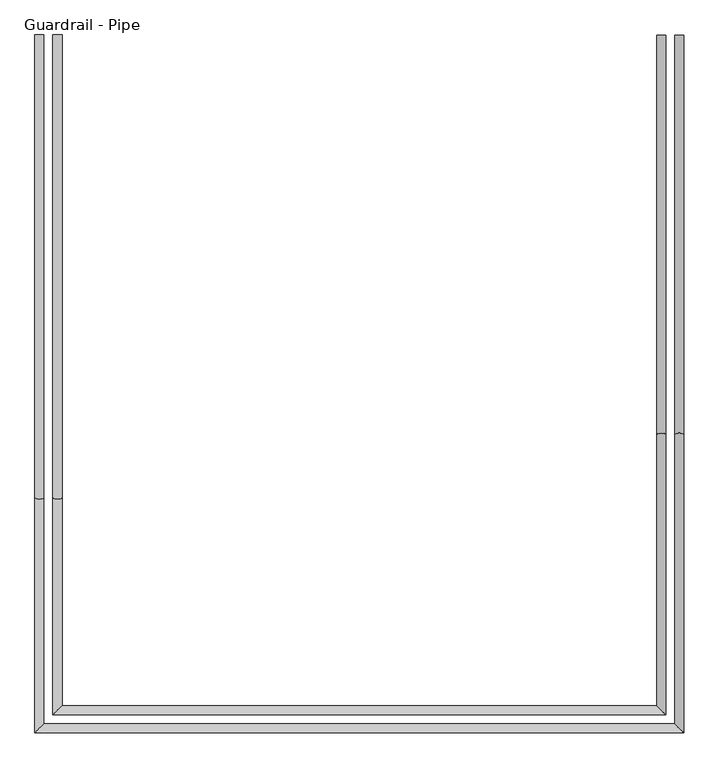
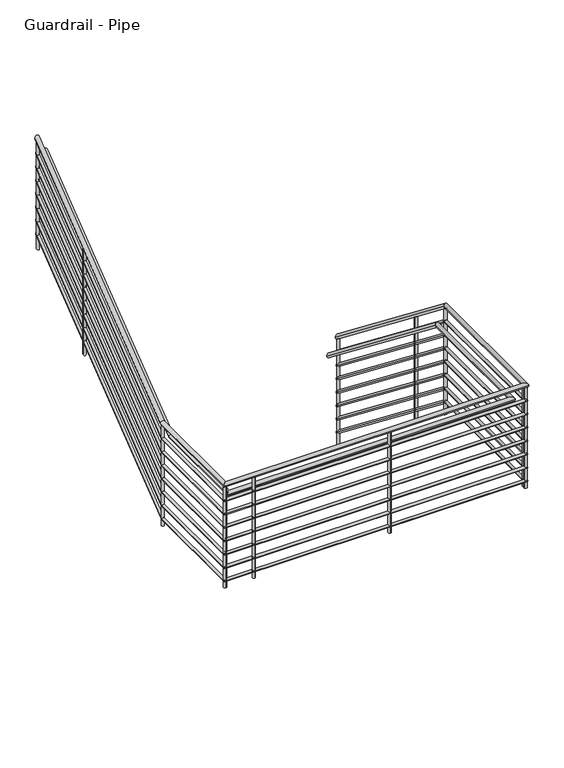
"""IFC4 building model written with IfcOpenShell, lengths in millimetres: railing geometry, Guardrail - Pipe."""

from ifc_helpers import new_model, si_unit, point, frame, frame_2d, origin, place, context, project, spatial, circle_curve, ellipse_curve, trimmed, segment, composite_curve, outline, extrude, source, transform, mapped, element, save
from ifc_brep_helpers import plane_surface, cylinder_surface, advanced_brep


def guardrail_pipe_dc70ddfe(model_context):
    return source(origin(), model_context, "Body", "SolidModel", [
        advanced_brep(
        [(4028.3118823, 247.1226057, 1260.3636861), (4066.4118823, 247.1226057, 1260.3636861), (4028.3118823, -1435.8231638, 2571.75), (4066.4118823, -1435.8231638, 2571.75), (4028.3118823, -2654.8273943, 2571.75), (4066.4118823, -2692.9273943, 2571.75), (1369.318901, -2654.8273943, 2571.75), (1331.218901, -2692.9273943, 2571.75), (1369.318901, -1702.1316247, 2571.75), (1331.218901, -1702.1316247, 2571.75), (1369.318901, 247.1226057, 4090.6494004), (1331.218901, 247.1226057, 4090.6494004)],
        [
            (0, 1, ellipse_curve(frame((4047.3618823, 247.1226057, 1260.3636861), z_axis=(0.0, 1.0, 0.0), x_axis=(0.0, 0.0, -1.0)), 24.1505996, 19.05)),
            (1, 0, ellipse_curve(frame((4047.3618823, 247.1226057, 1260.3636861), z_axis=(0.0, 1.0, 0.0), x_axis=(0.0, 0.0, -1.0)), 24.1505996, 19.05)),
            (0, 2),
            (2, 3, ellipse_curve(frame((4047.3618823, -1435.8231638, 2571.75), z_axis=(0.0, 0.9457273101107316, -0.3249613129446642), x_axis=(0.0, -0.32496131294466396, -0.9457273101107317)), 20.1432271, 19.05)),
            (3, 1),
            (3, 2, ellipse_curve(frame((4047.3618823, -1435.8231638, 2571.75), z_axis=(0.0, 0.9457273101107316, -0.3249613129446642), x_axis=(0.0, -0.32496131294466396, -0.9457273101107317)), 20.1432271, 19.05)),
            (2, 4),
            (4, 5, ellipse_curve(frame((4047.3618823, -2673.8773943, 2571.75), z_axis=(0.7071067811865492, 0.7071067811865458, 0.0), x_axis=(-0.7071067811865458, 0.7071067811865492, 0.0)), 26.9407684, 19.05)),
            (5, 3),
            (5, 4, ellipse_curve(frame((4047.3618823, -2673.8773943, 2571.75), z_axis=(0.7071067811865492, 0.7071067811865458, 0.0), x_axis=(-0.7071067811865458, 0.7071067811865492, 0.0)), 26.9407684, 19.05)),
            (4, 6),
            (6, 7, ellipse_curve(frame((1350.268901, -2673.8773943, 2571.75), z_axis=(0.7071067811865465, -0.7071067811865486, 0.0), x_axis=(0.7071067811865486, 0.7071067811865465, 0.0)), 26.9407684, 19.05)),
            (7, 5),
            (7, 6, ellipse_curve(frame((1350.268901, -2673.8773943, 2571.75), z_axis=(0.7071067811865465, -0.7071067811865486, 0.0), x_axis=(0.7071067811865486, 0.7071067811865465, 0.0)), 26.9407684, 19.05)),
            (6, 8),
            (8, 9, ellipse_curve(frame((1350.268901, -1702.1316247, 2571.75), z_axis=(0.0, -0.9457273101107316, -0.32496131294466407), x_axis=(0.0, -0.3249613129446642, 0.9457273101107316)), 20.1432271, 19.05)),
            (9, 7),
            (9, 8, ellipse_curve(frame((1350.268901, -1702.1316247, 2571.75), z_axis=(0.0, -0.9457273101107316, -0.32496131294466407), x_axis=(0.0, -0.3249613129446642, 0.9457273101107316)), 20.1432271, 19.05)),
            (10, 11, ellipse_curve(frame((1350.268901, 247.1226057, 4090.6494004), z_axis=(0.0, 1.0, 0.0), x_axis=(0.0, 0.0, -1.0)), 24.1505996, 19.05)),
            (11, 10, ellipse_curve(frame((1350.268901, 247.1226057, 4090.6494004), z_axis=(0.0, 1.0, 0.0), x_axis=(0.0, 0.0, -1.0)), 24.1505996, 19.05)),
            (8, 10),
            (11, 9),
        ],
        [
            plane_surface(frame((4047.3618823, 247.1226057, 1284.5142857), z_axis=(0.0, 1.0, 0.0), x_axis=(0.0, 0.0, -1.0))),
            cylinder_surface(frame((4047.3618823, 235.4135313, 1269.4876402), z_axis=(0.0, 0.7888002901785599, -0.6146495767624182), x_axis=(1.0, 0.0, 0.0)), 19.05),
            cylinder_surface(frame((4047.3618823, -1429.2773943, 2571.75), z_axis=(0.0, 1.0, 0.0), x_axis=(1.0, 0.0, 0.0)), 19.05),
            cylinder_surface(frame((4047.3618823, -2673.8773943, 2571.75), z_axis=(1.0, 0.0, 0.0), x_axis=(0.0, -1.0, 0.0)), 19.05),
            cylinder_surface(frame((1350.268901, -2673.8773943, 2571.75), z_axis=(0.0, -1.0, 0.0), x_axis=(-1.0, 0.0, 0.0)), 19.05),
            plane_surface(frame((1350.268901, 247.1226057, 4114.8), z_axis=(0.0, 1.0, 0.0), x_axis=(0.0, 0.0, 1.0))),
            cylinder_surface(frame((1350.268901, -1696.9683198, 2575.7733545), z_axis=(0.0, -0.78880029017856, -0.6146495767624179), x_axis=(-1.0, 0.0, 0.0)), 19.05),
        ],
        [
            (0, [[1, 2]]),
            (1, [[-1, 3, 4, 5]]),
            (1, [[-2, -5, 6, -3]]),
            (2, [[-4, 7, 8, 9]]),
            (2, [[-6, -9, 10, -7]]),
            (3, [[-8, 11, 12, 13]]),
            (3, [[-10, -13, 14, -11]]),
            (4, [[-12, 15, 16, 17]]),
            (4, [[-14, -17, 18, -15]]),
            (5, [[19, 20]]),
            (6, [[-16, 21, -20, 22]]),
            (6, [[-18, -22, -19, -21]]),
        ],
    ),
        advanced_brep(
        [(4034.6618823, 247.1226057, 1116.013886), (4060.0618823, 247.1226057, 1116.013886), (4034.6618823, -1433.6412406, 2425.7), (4060.0618823, -1433.6412406, 2425.7), (4034.6618823, -2661.1773943, 2425.7), (4060.0618823, -2686.5773943, 2425.7), (1362.968901, -2661.1773943, 2425.7), (1337.568901, -2686.5773943, 2425.7), (1362.968901, -1704.3135479, 2425.7), (1337.568901, -1704.3135479, 2425.7), (1362.968901, 247.1226057, 3946.2996002), (1337.568901, 247.1226057, 3946.2996002)],
        [
            (0, 1, ellipse_curve(frame((4047.3618823, 247.1226057, 1116.013886), z_axis=(0.0, 1.0, 0.0), x_axis=(0.0, 0.0, -1.0)), 16.1003998, 12.7)),
            (1, 0, ellipse_curve(frame((4047.3618823, 247.1226057, 1116.013886), z_axis=(0.0, 1.0, 0.0), x_axis=(0.0, 0.0, -1.0)), 16.1003998, 12.7)),
            (0, 2),
            (2, 3, ellipse_curve(frame((4047.3618823, -1433.6412406, 2425.7), z_axis=(0.0, 0.9457273101107316, -0.32496131294466424), x_axis=(0.0, -0.32496131294466407, -0.9457273101107315)), 13.4288181, 12.7)),
            (3, 1),
            (3, 2, ellipse_curve(frame((4047.3618823, -1433.6412406, 2425.7), z_axis=(0.0, 0.9457273101107316, -0.32496131294466424), x_axis=(0.0, -0.32496131294466407, -0.9457273101107315)), 13.4288181, 12.7)),
            (2, 4),
            (4, 5, ellipse_curve(frame((4047.3618823, -2673.8773943, 2425.7), z_axis=(0.7071067811865492, 0.7071067811865458, 0.0), x_axis=(-0.7071067811865458, 0.7071067811865492, 0.0)), 17.9605122, 12.7)),
            (5, 3),
            (5, 4, ellipse_curve(frame((4047.3618823, -2673.8773943, 2425.7), z_axis=(0.7071067811865492, 0.7071067811865458, 0.0), x_axis=(-0.7071067811865458, 0.7071067811865492, 0.0)), 17.9605122, 12.7)),
            (4, 6),
            (6, 7, ellipse_curve(frame((1350.268901, -2673.8773943, 2425.7), z_axis=(0.7071067811865465, -0.7071067811865486, 0.0), x_axis=(0.7071067811865486, 0.7071067811865465, 0.0)), 17.9605122, 12.7)),
            (7, 5),
            (7, 6, ellipse_curve(frame((1350.268901, -2673.8773943, 2425.7), z_axis=(0.7071067811865465, -0.7071067811865486, 0.0), x_axis=(0.7071067811865486, 0.7071067811865465, 0.0)), 17.9605122, 12.7)),
            (6, 8),
            (8, 9, ellipse_curve(frame((1350.268901, -1704.3135479, 2425.7), z_axis=(0.0, -0.9457273101107315, -0.32496131294466435), x_axis=(0.0, -0.3249613129446647, 0.9457273101107314)), 13.4288181, 12.7)),
            (9, 7),
            (9, 8, ellipse_curve(frame((1350.268901, -1704.3135479, 2425.7), z_axis=(0.0, -0.9457273101107315, -0.32496131294466435), x_axis=(0.0, -0.3249613129446647, 0.9457273101107314)), 13.4288181, 12.7)),
            (10, 11, ellipse_curve(frame((1350.268901, 247.1226057, 3946.2996002), z_axis=(0.0, 1.0, 0.0), x_axis=(0.0, 0.0, -1.0)), 16.1003998, 12.7)),
            (11, 10, ellipse_curve(frame((1350.268901, 247.1226057, 3946.2996002), z_axis=(0.0, 1.0, 0.0), x_axis=(0.0, 0.0, -1.0)), 16.1003998, 12.7)),
            (8, 10),
            (11, 9),
        ],
        [
            plane_surface(frame((4047.3618823, 247.1226057, 1132.1142857), z_axis=(0.0, 1.0, 0.0), x_axis=(0.0, 0.0, -1.0))),
            cylinder_surface(frame((4047.3618823, 239.3165561, 1122.096522), z_axis=(0.0, 0.78880029017856, -0.614649576762418), x_axis=(1.0, 0.0, 0.0)), 12.7),
            cylinder_surface(frame((4047.3618823, -1429.2773943, 2425.7), z_axis=(0.0, 1.0, 0.0), x_axis=(1.0, 0.0, 0.0)), 12.7),
            cylinder_surface(frame((4047.3618823, -2673.8773943, 2425.7), z_axis=(1.0, 0.0, 0.0), x_axis=(0.0, -1.0, 0.0)), 12.7),
            cylinder_surface(frame((1350.268901, -2673.8773943, 2425.7), z_axis=(0.0, -1.0, 0.0), x_axis=(-1.0, 0.0, 0.0)), 12.7),
            plane_surface(frame((1350.268901, 247.1226057, 3962.4), z_axis=(0.0, 1.0, 0.0), x_axis=(0.0, 0.0, 1.0))),
            cylinder_surface(frame((1350.268901, -1700.8713446, 2428.3822363), z_axis=(0.0, -0.7888002901785598, -0.6146495767624183), x_axis=(-1.0, 0.0, 0.0)), 12.7),
        ],
        [
            (0, [[1, 2]]),
            (1, [[-1, 3, 4, 5]]),
            (1, [[-2, -5, 6, -3]]),
            (2, [[-4, 7, 8, 9]]),
            (2, [[-6, -9, 10, -7]]),
            (3, [[-8, 11, 12, 13]]),
            (3, [[-10, -13, 14, -11]]),
            (4, [[-12, 15, 16, 17]]),
            (4, [[-14, -17, 18, -15]]),
            (5, [[19, 20]]),
            (6, [[-16, 21, -20, 22]]),
            (6, [[-18, -22, -19, -21]]),
        ],
    ),
        advanced_brep(
        [(3952.1118823, 247.1226057, 1107.9636861), (3990.2118823, 247.1226057, 1107.9636861), (3952.1118823, -1435.8231638, 2419.35), (3990.2118823, -1435.8231638, 2419.35), (3952.1118823, -2578.6273943, 2419.35), (3990.2118823, -2616.7273943, 2419.35), (1445.518901, -2578.6273943, 2419.35), (1407.418901, -2616.7273943, 2419.35), (1445.518901, -1702.1316247, 2419.35), (1407.418901, -1702.1316247, 2419.35), (1445.518901, 247.1226057, 3938.2494004), (1407.418901, 247.1226057, 3938.2494004)],
        [
            (0, 1, ellipse_curve(frame((3971.1618823, 247.1226057, 1107.9636861), z_axis=(0.0, 1.0, 0.0), x_axis=(0.0, 0.0, -1.0)), 24.1505996, 19.05)),
            (1, 0, ellipse_curve(frame((3971.1618823, 247.1226057, 1107.9636861), z_axis=(0.0, 1.0, 0.0), x_axis=(0.0, 0.0, -1.0)), 24.1505996, 19.05)),
            (0, 2),
            (2, 3, ellipse_curve(frame((3971.1618823, -1435.8231638, 2419.35), z_axis=(0.0, 0.9457273101107316, -0.32496131294466424), x_axis=(0.0, -0.32496131294466407, -0.9457273101107315)), 20.1432271, 19.05)),
            (3, 1),
            (3, 2, ellipse_curve(frame((3971.1618823, -1435.8231638, 2419.35), z_axis=(0.0, 0.9457273101107316, -0.32496131294466424), x_axis=(0.0, -0.32496131294466407, -0.9457273101107315)), 20.1432271, 19.05)),
            (2, 4),
            (4, 5, ellipse_curve(frame((3971.1618823, -2597.6773943, 2419.35), z_axis=(0.7071067811865492, 0.7071067811865458, 0.0), x_axis=(-0.7071067811865458, 0.7071067811865492, 0.0)), 26.9407684, 19.05)),
            (5, 3),
            (5, 4, ellipse_curve(frame((3971.1618823, -2597.6773943, 2419.35), z_axis=(0.7071067811865492, 0.7071067811865458, 0.0), x_axis=(-0.7071067811865458, 0.7071067811865492, 0.0)), 26.9407684, 19.05)),
            (4, 6),
            (6, 7, ellipse_curve(frame((1426.468901, -2597.6773943, 2419.35), z_axis=(0.7071067811865465, -0.7071067811865486, 0.0), x_axis=(0.7071067811865486, 0.7071067811865465, 0.0)), 26.9407684, 19.05)),
            (7, 5),
            (7, 6, ellipse_curve(frame((1426.468901, -2597.6773943, 2419.35), z_axis=(0.7071067811865465, -0.7071067811865486, 0.0), x_axis=(0.7071067811865486, 0.7071067811865465, 0.0)), 26.9407684, 19.05)),
            (6, 8),
            (8, 9, ellipse_curve(frame((1426.468901, -1702.1316247, 2419.35), z_axis=(0.0, -0.9457273101107315, -0.32496131294466435), x_axis=(0.0, -0.3249613129446647, 0.9457273101107314)), 20.1432271, 19.05)),
            (9, 7),
            (9, 8, ellipse_curve(frame((1426.468901, -1702.1316247, 2419.35), z_axis=(0.0, -0.9457273101107315, -0.32496131294466435), x_axis=(0.0, -0.3249613129446647, 0.9457273101107314)), 20.1432271, 19.05)),
            (10, 11, ellipse_curve(frame((1426.468901, 247.1226057, 3938.2494004), z_axis=(0.0, 1.0, 0.0), x_axis=(0.0, 0.0, -1.0)), 24.1505996, 19.05)),
            (11, 10, ellipse_curve(frame((1426.468901, 247.1226057, 3938.2494004), z_axis=(0.0, 1.0, 0.0), x_axis=(0.0, 0.0, -1.0)), 24.1505996, 19.05)),
            (8, 10),
            (11, 9),
        ],
        [
            plane_surface(frame((3971.1618823, 247.1226057, 1132.1142857), z_axis=(0.0, 1.0, 0.0), x_axis=(0.0, 0.0, -1.0))),
            cylinder_surface(frame((3971.1618823, 235.4135313, 1117.0876402), z_axis=(0.0, 0.78880029017856, -0.614649576762418), x_axis=(1.0, 0.0, 0.0)), 19.05),
            cylinder_surface(frame((3971.1618823, -1429.2773943, 2419.35), z_axis=(0.0, 1.0, 0.0), x_axis=(1.0, 0.0, 0.0)), 19.05),
            cylinder_surface(frame((3971.1618823, -2597.6773943, 2419.35), z_axis=(1.0, 0.0, 0.0), x_axis=(0.0, -1.0, 0.0)), 19.05),
            cylinder_surface(frame((1426.468901, -2597.6773943, 2419.35), z_axis=(0.0, -1.0, 0.0), x_axis=(-1.0, 0.0, 0.0)), 19.05),
            plane_surface(frame((1426.468901, 247.1226057, 3962.4), z_axis=(0.0, 1.0, 0.0), x_axis=(0.0, 0.0, 1.0))),
            cylinder_surface(frame((1426.468901, -1696.9683198, 2423.3733545), z_axis=(0.0, -0.7888002901785598, -0.6146495767624183), x_axis=(-1.0, 0.0, 0.0)), 19.05),
        ],
        [
            (0, [[1, 2]]),
            (1, [[-1, 3, 4, 5]]),
            (1, [[-2, -5, 6, -3]]),
            (2, [[-4, 7, 8, 9]]),
            (2, [[-6, -9, 10, -7]]),
            (3, [[-8, 11, 12, 13]]),
            (3, [[-10, -13, 14, -11]]),
            (4, [[-12, 15, 16, 17]]),
            (4, [[-14, -17, 18, -15]]),
            (5, [[19, 20]]),
            (6, [[-16, 21, -20, 22]]),
            (6, [[-18, -22, -19, -21]]),
        ],
    ),
        advanced_brep(
        [(4034.6618823, 247.1226057, 989.013886), (4060.0618823, 247.1226057, 989.013886), (4034.6618823, -1433.6412406, 2298.7), (4060.0618823, -1433.6412406, 2298.7), (4034.6618823, -2661.1773943, 2298.7), (4060.0618823, -2686.5773943, 2298.7), (1362.968901, -2661.1773943, 2298.7), (1337.568901, -2686.5773943, 2298.7), (1362.968901, -1704.3135479, 2298.7), (1337.568901, -1704.3135479, 2298.7), (1362.968901, 247.1226057, 3819.2996002), (1337.568901, 247.1226057, 3819.2996002)],
        [
            (0, 1, ellipse_curve(frame((4047.3618823, 247.1226057, 989.013886), z_axis=(0.0, 1.0, 0.0), x_axis=(0.0, 0.0, -1.0)), 16.1003998, 12.7)),
            (1, 0, ellipse_curve(frame((4047.3618823, 247.1226057, 989.013886), z_axis=(0.0, 1.0, 0.0), x_axis=(0.0, 0.0, -1.0)), 16.1003998, 12.7)),
            (0, 2),
            (2, 3, ellipse_curve(frame((4047.3618823, -1433.6412406, 2298.7), z_axis=(0.0, 0.9457273101107316, -0.32496131294466424), x_axis=(0.0, -0.32496131294466407, -0.9457273101107315)), 13.4288181, 12.7)),
            (3, 1),
            (3, 2, ellipse_curve(frame((4047.3618823, -1433.6412406, 2298.7), z_axis=(0.0, 0.9457273101107316, -0.32496131294466424), x_axis=(0.0, -0.32496131294466407, -0.9457273101107315)), 13.4288181, 12.7)),
            (2, 4),
            (4, 5, ellipse_curve(frame((4047.3618823, -2673.8773943, 2298.7), z_axis=(0.7071067811865492, 0.7071067811865458, 0.0), x_axis=(-0.7071067811865458, 0.7071067811865492, 0.0)), 17.9605122, 12.7)),
            (5, 3),
            (5, 4, ellipse_curve(frame((4047.3618823, -2673.8773943, 2298.7), z_axis=(0.7071067811865492, 0.7071067811865458, 0.0), x_axis=(-0.7071067811865458, 0.7071067811865492, 0.0)), 17.9605122, 12.7)),
            (4, 6),
            (6, 7, ellipse_curve(frame((1350.268901, -2673.8773943, 2298.7), z_axis=(0.7071067811865465, -0.7071067811865486, 0.0), x_axis=(0.7071067811865486, 0.7071067811865465, 0.0)), 17.9605122, 12.7)),
            (7, 5),
            (7, 6, ellipse_curve(frame((1350.268901, -2673.8773943, 2298.7), z_axis=(0.7071067811865465, -0.7071067811865486, 0.0), x_axis=(0.7071067811865486, 0.7071067811865465, 0.0)), 17.9605122, 12.7)),
            (6, 8),
            (8, 9, ellipse_curve(frame((1350.268901, -1704.3135479, 2298.7), z_axis=(0.0, -0.9457273101107315, -0.3249613129446645), x_axis=(0.0, -0.3249613129446646, 0.9457273101107315)), 13.4288181, 12.7)),
            (9, 7),
            (9, 8, ellipse_curve(frame((1350.268901, -1704.3135479, 2298.7), z_axis=(0.0, -0.9457273101107315, -0.3249613129446645), x_axis=(0.0, -0.3249613129446646, 0.9457273101107315)), 13.4288181, 12.7)),
            (10, 11, ellipse_curve(frame((1350.268901, 247.1226057, 3819.2996002), z_axis=(0.0, 1.0, 0.0), x_axis=(0.0, 0.0, -1.0)), 16.1003998, 12.7)),
            (11, 10, ellipse_curve(frame((1350.268901, 247.1226057, 3819.2996002), z_axis=(0.0, 1.0, 0.0), x_axis=(0.0, 0.0, -1.0)), 16.1003998, 12.7)),
            (8, 10),
            (11, 9),
        ],
        [
            plane_surface(frame((4047.3618823, 247.1226057, 1005.1142857), z_axis=(0.0, 1.0, 0.0), x_axis=(0.0, 0.0, -1.0))),
            cylinder_surface(frame((4047.3618823, 239.3165561, 995.096522), z_axis=(0.0, 0.78880029017856, -0.614649576762418), x_axis=(1.0, 0.0, 0.0)), 12.7),
            cylinder_surface(frame((4047.3618823, -1429.2773943, 2298.7), z_axis=(0.0, 1.0, 0.0), x_axis=(1.0, 0.0, 0.0)), 12.7),
            cylinder_surface(frame((4047.3618823, -2673.8773943, 2298.7), z_axis=(1.0, 0.0, 0.0), x_axis=(0.0, -1.0, 0.0)), 12.7),
            cylinder_surface(frame((1350.268901, -2673.8773943, 2298.7), z_axis=(0.0, -1.0, 0.0), x_axis=(-1.0, 0.0, 0.0)), 12.7),
            plane_surface(frame((1350.268901, 247.1226057, 3835.4), z_axis=(0.0, 1.0, 0.0), x_axis=(0.0, 0.0, 1.0))),
            cylinder_surface(frame((1350.268901, -1700.8713446, 2301.3822363), z_axis=(0.0, -0.7888002901785597, -0.6146495767624184), x_axis=(-1.0, 0.0, 0.0)), 12.7),
        ],
        [
            (0, [[1, 2]]),
            (1, [[-1, 3, 4, 5]]),
            (1, [[-2, -5, 6, -3]]),
            (2, [[-4, 7, 8, 9]]),
            (2, [[-6, -9, 10, -7]]),
            (3, [[-8, 11, 12, 13]]),
            (3, [[-10, -13, 14, -11]]),
            (4, [[-12, 15, 16, 17]]),
            (4, [[-14, -17, 18, -15]]),
            (5, [[19, 20]]),
            (6, [[-16, 21, -20, 22]]),
            (6, [[-18, -22, -19, -21]]),
        ],
    ),
        advanced_brep(
        [(4034.6618823, 247.1226057, 862.013886), (4060.0618823, 247.1226057, 862.013886), (4034.6618823, -1433.6412406, 2171.7), (4060.0618823, -1433.6412406, 2171.7), (4034.6618823, -2661.1773943, 2171.7), (4060.0618823, -2686.5773943, 2171.7), (1362.968901, -2661.1773943, 2171.7), (1337.568901, -2686.5773943, 2171.7), (1362.968901, -1704.3135479, 2171.7), (1337.568901, -1704.3135479, 2171.7), (1362.968901, 247.1226057, 3692.2996002), (1337.568901, 247.1226057, 3692.2996002)],
        [
            (0, 1, ellipse_curve(frame((4047.3618823, 247.1226057, 862.013886), z_axis=(0.0, 1.0, 0.0), x_axis=(0.0, 0.0, -1.0)), 16.1003998, 12.7)),
            (1, 0, ellipse_curve(frame((4047.3618823, 247.1226057, 862.013886), z_axis=(0.0, 1.0, 0.0), x_axis=(0.0, 0.0, -1.0)), 16.1003998, 12.7)),
            (0, 2),
            (2, 3, ellipse_curve(frame((4047.3618823, -1433.6412406, 2171.7), z_axis=(0.0, 0.9457273101107316, -0.3249613129446642), x_axis=(0.0, -0.32496131294466396, -0.9457273101107317)), 13.4288181, 12.7)),
            (3, 1),
            (3, 2, ellipse_curve(frame((4047.3618823, -1433.6412406, 2171.7), z_axis=(0.0, 0.9457273101107316, -0.3249613129446642), x_axis=(0.0, -0.32496131294466396, -0.9457273101107317)), 13.4288181, 12.7)),
            (2, 4),
            (4, 5, ellipse_curve(frame((4047.3618823, -2673.8773943, 2171.7), z_axis=(0.7071067811865492, 0.7071067811865458, 0.0), x_axis=(-0.7071067811865458, 0.7071067811865492, 0.0)), 17.9605122, 12.7)),
            (5, 3),
            (5, 4, ellipse_curve(frame((4047.3618823, -2673.8773943, 2171.7), z_axis=(0.7071067811865492, 0.7071067811865458, 0.0), x_axis=(-0.7071067811865458, 0.7071067811865492, 0.0)), 17.9605122, 12.7)),
            (4, 6),
            (6, 7, ellipse_curve(frame((1350.268901, -2673.8773943, 2171.7), z_axis=(0.7071067811865465, -0.7071067811865486, 0.0), x_axis=(0.7071067811865486, 0.7071067811865465, 0.0)), 17.9605122, 12.7)),
            (7, 5),
            (7, 6, ellipse_curve(frame((1350.268901, -2673.8773943, 2171.7), z_axis=(0.7071067811865465, -0.7071067811865486, 0.0), x_axis=(0.7071067811865486, 0.7071067811865465, 0.0)), 17.9605122, 12.7)),
            (6, 8),
            (8, 9, ellipse_curve(frame((1350.268901, -1704.3135479, 2171.7), z_axis=(0.0, -0.9457273101107316, -0.32496131294466407), x_axis=(0.0, -0.3249613129446642, 0.9457273101107316)), 13.4288181, 12.7)),
            (9, 7),
            (9, 8, ellipse_curve(frame((1350.268901, -1704.3135479, 2171.7), z_axis=(0.0, -0.9457273101107316, -0.32496131294466407), x_axis=(0.0, -0.3249613129446642, 0.9457273101107316)), 13.4288181, 12.7)),
            (10, 11, ellipse_curve(frame((1350.268901, 247.1226057, 3692.2996002), z_axis=(0.0, 1.0, 0.0), x_axis=(0.0, 0.0, -1.0)), 16.1003998, 12.7)),
            (11, 10, ellipse_curve(frame((1350.268901, 247.1226057, 3692.2996002), z_axis=(0.0, 1.0, 0.0), x_axis=(0.0, 0.0, -1.0)), 16.1003998, 12.7)),
            (8, 10),
            (11, 9),
        ],
        [
            plane_surface(frame((4047.3618823, 247.1226057, 878.1142857), z_axis=(0.0, 1.0, 0.0), x_axis=(0.0, 0.0, -1.0))),
            cylinder_surface(frame((4047.3618823, 239.3165561, 868.096522), z_axis=(0.0, 0.7888002901785599, -0.6146495767624182), x_axis=(1.0, 0.0, 0.0)), 12.7),
            cylinder_surface(frame((4047.3618823, -1429.2773943, 2171.7), z_axis=(0.0, 1.0, 0.0), x_axis=(1.0, 0.0, 0.0)), 12.7),
            cylinder_surface(frame((4047.3618823, -2673.8773943, 2171.7), z_axis=(1.0, 0.0, 0.0), x_axis=(0.0, -1.0, 0.0)), 12.7),
            cylinder_surface(frame((1350.268901, -2673.8773943, 2171.7), z_axis=(0.0, -1.0, 0.0), x_axis=(-1.0, 0.0, 0.0)), 12.7),
            plane_surface(frame((1350.268901, 247.1226057, 3708.4), z_axis=(0.0, 1.0, 0.0), x_axis=(0.0, 0.0, 1.0))),
            cylinder_surface(frame((1350.268901, -1700.8713446, 2174.3822363), z_axis=(0.0, -0.78880029017856, -0.6146495767624179), x_axis=(-1.0, 0.0, 0.0)), 12.7),
        ],
        [
            (0, [[1, 2]]),
            (1, [[-1, 3, 4, 5]]),
            (1, [[-2, -5, 6, -3]]),
            (2, [[-4, 7, 8, 9]]),
            (2, [[-6, -9, 10, -7]]),
            (3, [[-8, 11, 12, 13]]),
            (3, [[-10, -13, 14, -11]]),
            (4, [[-12, 15, 16, 17]]),
            (4, [[-14, -17, 18, -15]]),
            (5, [[19, 20]]),
            (6, [[-16, 21, -20, 22]]),
            (6, [[-18, -22, -19, -21]]),
        ],
    ),
        advanced_brep(
        [(4034.6618823, 247.1226057, 735.013886), (4060.0618823, 247.1226057, 735.013886), (4034.6618823, -1433.6412406, 2044.7), (4060.0618823, -1433.6412406, 2044.7), (4034.6618823, -2661.1773943, 2044.7), (4060.0618823, -2686.5773943, 2044.7), (1362.968901, -2661.1773943, 2044.7), (1337.568901, -2686.5773943, 2044.7), (1362.968901, -1704.3135479, 2044.7), (1337.568901, -1704.3135479, 2044.7), (1362.968901, 247.1226057, 3565.2996002), (1337.568901, 247.1226057, 3565.2996002)],
        [
            (0, 1, ellipse_curve(frame((4047.3618823, 247.1226057, 735.013886), z_axis=(0.0, 1.0, 0.0), x_axis=(0.0, 0.0, -1.0)), 16.1003998, 12.7)),
            (1, 0, ellipse_curve(frame((4047.3618823, 247.1226057, 735.013886), z_axis=(0.0, 1.0, 0.0), x_axis=(0.0, 0.0, -1.0)), 16.1003998, 12.7)),
            (0, 2),
            (2, 3, ellipse_curve(frame((4047.3618823, -1433.6412406, 2044.7), z_axis=(0.0, 0.9457273101107316, -0.32496131294466424), x_axis=(0.0, -0.32496131294466407, -0.9457273101107315)), 13.4288181, 12.7)),
            (3, 1),
            (3, 2, ellipse_curve(frame((4047.3618823, -1433.6412406, 2044.7), z_axis=(0.0, 0.9457273101107316, -0.32496131294466424), x_axis=(0.0, -0.32496131294466407, -0.9457273101107315)), 13.4288181, 12.7)),
            (2, 4),
            (4, 5, ellipse_curve(frame((4047.3618823, -2673.8773943, 2044.7), z_axis=(0.7071067811865492, 0.7071067811865458, 0.0), x_axis=(-0.7071067811865458, 0.7071067811865492, 0.0)), 17.9605122, 12.7)),
            (5, 3),
            (5, 4, ellipse_curve(frame((4047.3618823, -2673.8773943, 2044.7), z_axis=(0.7071067811865492, 0.7071067811865458, 0.0), x_axis=(-0.7071067811865458, 0.7071067811865492, 0.0)), 17.9605122, 12.7)),
            (4, 6),
            (6, 7, ellipse_curve(frame((1350.268901, -2673.8773943, 2044.7), z_axis=(0.7071067811865465, -0.7071067811865486, 0.0), x_axis=(0.7071067811865486, 0.7071067811865465, 0.0)), 17.9605122, 12.7)),
            (7, 5),
            (7, 6, ellipse_curve(frame((1350.268901, -2673.8773943, 2044.7), z_axis=(0.7071067811865465, -0.7071067811865486, 0.0), x_axis=(0.7071067811865486, 0.7071067811865465, 0.0)), 17.9605122, 12.7)),
            (6, 8),
            (8, 9, ellipse_curve(frame((1350.268901, -1704.3135479, 2044.7), z_axis=(0.0, -0.9457273101107315, -0.32496131294466435), x_axis=(0.0, -0.3249613129446647, 0.9457273101107314)), 13.4288181, 12.7)),
            (9, 7),
            (9, 8, ellipse_curve(frame((1350.268901, -1704.3135479, 2044.7), z_axis=(0.0, -0.9457273101107315, -0.32496131294466435), x_axis=(0.0, -0.3249613129446647, 0.9457273101107314)), 13.4288181, 12.7)),
            (10, 11, ellipse_curve(frame((1350.268901, 247.1226057, 3565.2996002), z_axis=(0.0, 1.0, 0.0), x_axis=(0.0, 0.0, -1.0)), 16.1003998, 12.7)),
            (11, 10, ellipse_curve(frame((1350.268901, 247.1226057, 3565.2996002), z_axis=(0.0, 1.0, 0.0), x_axis=(0.0, 0.0, -1.0)), 16.1003998, 12.7)),
            (8, 10),
            (11, 9),
        ],
        [
            plane_surface(frame((4047.3618823, 247.1226057, 751.1142857), z_axis=(0.0, 1.0, 0.0), x_axis=(0.0, 0.0, -1.0))),
            cylinder_surface(frame((4047.3618823, 239.3165561, 741.096522), z_axis=(0.0, 0.78880029017856, -0.614649576762418), x_axis=(1.0, 0.0, 0.0)), 12.7),
            cylinder_surface(frame((4047.3618823, -1429.2773943, 2044.7), z_axis=(0.0, 1.0, 0.0), x_axis=(1.0, 0.0, 0.0)), 12.7),
            cylinder_surface(frame((4047.3618823, -2673.8773943, 2044.7), z_axis=(1.0, 0.0, 0.0), x_axis=(0.0, -1.0, 0.0)), 12.7),
            cylinder_surface(frame((1350.268901, -2673.8773943, 2044.7), z_axis=(0.0, -1.0, 0.0), x_axis=(-1.0, 0.0, 0.0)), 12.7),
            plane_surface(frame((1350.268901, 247.1226057, 3581.4), z_axis=(0.0, 1.0, 0.0), x_axis=(0.0, 0.0, 1.0))),
            cylinder_surface(frame((1350.268901, -1700.8713446, 2047.3822363), z_axis=(0.0, -0.7888002901785598, -0.6146495767624183), x_axis=(-1.0, 0.0, 0.0)), 12.7),
        ],
        [
            (0, [[1, 2]]),
            (1, [[-1, 3, 4, 5]]),
            (1, [[-2, -5, 6, -3]]),
            (2, [[-4, 7, 8, 9]]),
            (2, [[-6, -9, 10, -7]]),
            (3, [[-8, 11, 12, 13]]),
            (3, [[-10, -13, 14, -11]]),
            (4, [[-12, 15, 16, 17]]),
            (4, [[-14, -17, 18, -15]]),
            (5, [[19, 20]]),
            (6, [[-16, 21, -20, 22]]),
            (6, [[-18, -22, -19, -21]]),
        ],
    ),
        advanced_brep(
        [(4034.6618823, 247.1226057, 608.013886), (4060.0618823, 247.1226057, 608.013886), (4034.6618823, -1433.6412406, 1917.7), (4060.0618823, -1433.6412406, 1917.7), (4034.6618823, -2661.1773943, 1917.7), (4060.0618823, -2686.5773943, 1917.7), (1362.968901, -2661.1773943, 1917.7), (1337.568901, -2686.5773943, 1917.7), (1362.968901, -1704.3135479, 1917.7), (1337.568901, -1704.3135479, 1917.7), (1362.968901, 247.1226057, 3438.2996002), (1337.568901, 247.1226057, 3438.2996002)],
        [
            (0, 1, ellipse_curve(frame((4047.3618823, 247.1226057, 608.013886), z_axis=(0.0, 1.0, 0.0), x_axis=(0.0, 0.0, -1.0)), 16.1003998, 12.7)),
            (1, 0, ellipse_curve(frame((4047.3618823, 247.1226057, 608.013886), z_axis=(0.0, 1.0, 0.0), x_axis=(0.0, 0.0, -1.0)), 16.1003998, 12.7)),
            (0, 2),
            (2, 3, ellipse_curve(frame((4047.3618823, -1433.6412406, 1917.7), z_axis=(0.0, 0.9457273101107316, -0.32496131294466424), x_axis=(0.0, -0.32496131294466407, -0.9457273101107315)), 13.4288181, 12.7)),
            (3, 1),
            (3, 2, ellipse_curve(frame((4047.3618823, -1433.6412406, 1917.7), z_axis=(0.0, 0.9457273101107316, -0.32496131294466424), x_axis=(0.0, -0.32496131294466407, -0.9457273101107315)), 13.4288181, 12.7)),
            (2, 4),
            (4, 5, ellipse_curve(frame((4047.3618823, -2673.8773943, 1917.7), z_axis=(0.7071067811865492, 0.7071067811865458, 0.0), x_axis=(-0.7071067811865458, 0.7071067811865492, 0.0)), 17.9605122, 12.7)),
            (5, 3),
            (5, 4, ellipse_curve(frame((4047.3618823, -2673.8773943, 1917.7), z_axis=(0.7071067811865492, 0.7071067811865458, 0.0), x_axis=(-0.7071067811865458, 0.7071067811865492, 0.0)), 17.9605122, 12.7)),
            (4, 6),
            (6, 7, ellipse_curve(frame((1350.268901, -2673.8773943, 1917.7), z_axis=(0.7071067811865465, -0.7071067811865486, 0.0), x_axis=(0.7071067811865486, 0.7071067811865465, 0.0)), 17.9605122, 12.7)),
            (7, 5),
            (7, 6, ellipse_curve(frame((1350.268901, -2673.8773943, 1917.7), z_axis=(0.7071067811865465, -0.7071067811865486, 0.0), x_axis=(0.7071067811865486, 0.7071067811865465, 0.0)), 17.9605122, 12.7)),
            (6, 8),
            (8, 9, ellipse_curve(frame((1350.268901, -1704.3135479, 1917.7), z_axis=(0.0, -0.9457273101107315, -0.3249613129446645), x_axis=(0.0, -0.3249613129446646, 0.9457273101107315)), 13.4288181, 12.7)),
            (9, 7),
            (9, 8, ellipse_curve(frame((1350.268901, -1704.3135479, 1917.7), z_axis=(0.0, -0.9457273101107315, -0.3249613129446645), x_axis=(0.0, -0.3249613129446646, 0.9457273101107315)), 13.4288181, 12.7)),
            (10, 11, ellipse_curve(frame((1350.268901, 247.1226057, 3438.2996002), z_axis=(0.0, 1.0, 0.0), x_axis=(0.0, 0.0, -1.0)), 16.1003998, 12.7)),
            (11, 10, ellipse_curve(frame((1350.268901, 247.1226057, 3438.2996002), z_axis=(0.0, 1.0, 0.0), x_axis=(0.0, 0.0, -1.0)), 16.1003998, 12.7)),
            (8, 10),
            (11, 9),
        ],
        [
            plane_surface(frame((4047.3618823, 247.1226057, 624.1142857), z_axis=(0.0, 1.0, 0.0), x_axis=(0.0, 0.0, -1.0))),
            cylinder_surface(frame((4047.3618823, 239.3165561, 614.096522), z_axis=(0.0, 0.78880029017856, -0.614649576762418), x_axis=(1.0, 0.0, 0.0)), 12.7),
            cylinder_surface(frame((4047.3618823, -1429.2773943, 1917.7), z_axis=(0.0, 1.0, 0.0), x_axis=(1.0, 0.0, 0.0)), 12.7),
            cylinder_surface(frame((4047.3618823, -2673.8773943, 1917.7), z_axis=(1.0, 0.0, 0.0), x_axis=(0.0, -1.0, 0.0)), 12.7),
            cylinder_surface(frame((1350.268901, -2673.8773943, 1917.7), z_axis=(0.0, -1.0, 0.0), x_axis=(-1.0, 0.0, 0.0)), 12.7),
            plane_surface(frame((1350.268901, 247.1226057, 3454.4), z_axis=(0.0, 1.0, 0.0), x_axis=(0.0, 0.0, 1.0))),
            cylinder_surface(frame((1350.268901, -1700.8713446, 1920.3822363), z_axis=(0.0, -0.7888002901785597, -0.6146495767624184), x_axis=(-1.0, 0.0, 0.0)), 12.7),
        ],
        [
            (0, [[1, 2]]),
            (1, [[-1, 3, 4, 5]]),
            (1, [[-2, -5, 6, -3]]),
            (2, [[-4, 7, 8, 9]]),
            (2, [[-6, -9, 10, -7]]),
            (3, [[-8, 11, 12, 13]]),
            (3, [[-10, -13, 14, -11]]),
            (4, [[-12, 15, 16, 17]]),
            (4, [[-14, -17, 18, -15]]),
            (5, [[19, 20]]),
            (6, [[-16, 21, -20, 22]]),
            (6, [[-18, -22, -19, -21]]),
        ],
    ),
        advanced_brep(
        [(4034.6618823, 247.1226057, 481.013886), (4060.0618823, 247.1226057, 481.013886), (4034.6618823, -1433.6412406, 1790.7), (4060.0618823, -1433.6412406, 1790.7), (4034.6618823, -2661.1773943, 1790.7), (4060.0618823, -2686.5773943, 1790.7), (1362.968901, -2661.1773943, 1790.7), (1337.568901, -2686.5773943, 1790.7), (1362.968901, -1704.3135479, 1790.7), (1337.568901, -1704.3135479, 1790.7), (1362.968901, 247.1226057, 3311.2996002), (1337.568901, 247.1226057, 3311.2996002)],
        [
            (0, 1, ellipse_curve(frame((4047.3618823, 247.1226057, 481.013886), z_axis=(0.0, 1.0, 0.0), x_axis=(0.0, 0.0, -1.0)), 16.1003998, 12.7)),
            (1, 0, ellipse_curve(frame((4047.3618823, 247.1226057, 481.013886), z_axis=(0.0, 1.0, 0.0), x_axis=(0.0, 0.0, -1.0)), 16.1003998, 12.7)),
            (0, 2),
            (2, 3, ellipse_curve(frame((4047.3618823, -1433.6412406, 1790.7), z_axis=(0.0, 0.9457273101107316, -0.3249613129446642), x_axis=(0.0, -0.32496131294466396, -0.9457273101107317)), 13.4288181, 12.7)),
            (3, 1),
            (3, 2, ellipse_curve(frame((4047.3618823, -1433.6412406, 1790.7), z_axis=(0.0, 0.9457273101107316, -0.3249613129446642), x_axis=(0.0, -0.32496131294466396, -0.9457273101107317)), 13.4288181, 12.7)),
            (2, 4),
            (4, 5, ellipse_curve(frame((4047.3618823, -2673.8773943, 1790.7), z_axis=(0.7071067811865492, 0.7071067811865458, 0.0), x_axis=(-0.7071067811865458, 0.7071067811865492, 0.0)), 17.9605122, 12.7)),
            (5, 3),
            (5, 4, ellipse_curve(frame((4047.3618823, -2673.8773943, 1790.7), z_axis=(0.7071067811865492, 0.7071067811865458, 0.0), x_axis=(-0.7071067811865458, 0.7071067811865492, 0.0)), 17.9605122, 12.7)),
            (4, 6),
            (6, 7, ellipse_curve(frame((1350.268901, -2673.8773943, 1790.7), z_axis=(0.7071067811865465, -0.7071067811865486, 0.0), x_axis=(0.7071067811865486, 0.7071067811865465, 0.0)), 17.9605122, 12.7)),
            (7, 5),
            (7, 6, ellipse_curve(frame((1350.268901, -2673.8773943, 1790.7), z_axis=(0.7071067811865465, -0.7071067811865486, 0.0), x_axis=(0.7071067811865486, 0.7071067811865465, 0.0)), 17.9605122, 12.7)),
            (6, 8),
            (8, 9, ellipse_curve(frame((1350.268901, -1704.3135479, 1790.7), z_axis=(0.0, -0.9457273101107316, -0.32496131294466407), x_axis=(0.0, -0.3249613129446642, 0.9457273101107316)), 13.4288181, 12.7)),
            (9, 7),
            (9, 8, ellipse_curve(frame((1350.268901, -1704.3135479, 1790.7), z_axis=(0.0, -0.9457273101107316, -0.32496131294466407), x_axis=(0.0, -0.3249613129446642, 0.9457273101107316)), 13.4288181, 12.7)),
            (10, 11, ellipse_curve(frame((1350.268901, 247.1226057, 3311.2996002), z_axis=(0.0, 1.0, 0.0), x_axis=(0.0, 0.0, -1.0)), 16.1003998, 12.7)),
            (11, 10, ellipse_curve(frame((1350.268901, 247.1226057, 3311.2996002), z_axis=(0.0, 1.0, 0.0), x_axis=(0.0, 0.0, -1.0)), 16.1003998, 12.7)),
            (8, 10),
            (11, 9),
        ],
        [
            plane_surface(frame((4047.3618823, 247.1226057, 497.1142857), z_axis=(0.0, 1.0, 0.0), x_axis=(0.0, 0.0, -1.0))),
            cylinder_surface(frame((4047.3618823, 239.3165561, 487.096522), z_axis=(0.0, 0.7888002901785599, -0.6146495767624182), x_axis=(1.0, 0.0, 0.0)), 12.7),
            cylinder_surface(frame((4047.3618823, -1429.2773943, 1790.7), z_axis=(0.0, 1.0, 0.0), x_axis=(1.0, 0.0, 0.0)), 12.7),
            cylinder_surface(frame((4047.3618823, -2673.8773943, 1790.7), z_axis=(1.0, 0.0, 0.0), x_axis=(0.0, -1.0, 0.0)), 12.7),
            cylinder_surface(frame((1350.268901, -2673.8773943, 1790.7), z_axis=(0.0, -1.0, 0.0), x_axis=(-1.0, 0.0, 0.0)), 12.7),
            plane_surface(frame((1350.268901, 247.1226057, 3327.4), z_axis=(0.0, 1.0, 0.0), x_axis=(0.0, 0.0, 1.0))),
            cylinder_surface(frame((1350.268901, -1700.8713446, 1793.3822363), z_axis=(0.0, -0.78880029017856, -0.6146495767624179), x_axis=(-1.0, 0.0, 0.0)), 12.7),
        ],
        [
            (0, [[1, 2]]),
            (1, [[-1, 3, 4, 5]]),
            (1, [[-2, -5, 6, -3]]),
            (2, [[-4, 7, 8, 9]]),
            (2, [[-6, -9, 10, -7]]),
            (3, [[-8, 11, 12, 13]]),
            (3, [[-10, -13, 14, -11]]),
            (4, [[-12, 15, 16, 17]]),
            (4, [[-14, -17, 18, -15]]),
            (5, [[19, 20]]),
            (6, [[-16, 21, -20, 22]]),
            (6, [[-18, -22, -19, -21]]),
        ],
    ),
        advanced_brep(
        [(4034.6618823, 247.1226057, 354.013886), (4060.0618823, 247.1226057, 354.013886), (4034.6618823, -1433.6412406, 1663.7), (4060.0618823, -1433.6412406, 1663.7), (4034.6618823, -2661.1773943, 1663.7), (4060.0618823, -2686.5773943, 1663.7), (1362.968901, -2661.1773943, 1663.7), (1337.568901, -2686.5773943, 1663.7), (1362.968901, -1704.3135479, 1663.7), (1337.568901, -1704.3135479, 1663.7), (1362.968901, 247.1226057, 3184.2996002), (1337.568901, 247.1226057, 3184.2996002)],
        [
            (0, 1, ellipse_curve(frame((4047.3618823, 247.1226057, 354.013886), z_axis=(0.0, 1.0, 0.0), x_axis=(0.0, 0.0, -1.0)), 16.1003998, 12.7)),
            (1, 0, ellipse_curve(frame((4047.3618823, 247.1226057, 354.013886), z_axis=(0.0, 1.0, 0.0), x_axis=(0.0, 0.0, -1.0)), 16.1003998, 12.7)),
            (0, 2),
            (2, 3, ellipse_curve(frame((4047.3618823, -1433.6412406, 1663.7), z_axis=(0.0, 0.9457273101107316, -0.32496131294466424), x_axis=(0.0, -0.32496131294466407, -0.9457273101107315)), 13.4288181, 12.7)),
            (3, 1),
            (3, 2, ellipse_curve(frame((4047.3618823, -1433.6412406, 1663.7), z_axis=(0.0, 0.9457273101107316, -0.32496131294466424), x_axis=(0.0, -0.32496131294466407, -0.9457273101107315)), 13.4288181, 12.7)),
            (2, 4),
            (4, 5, ellipse_curve(frame((4047.3618823, -2673.8773943, 1663.7), z_axis=(0.7071067811865492, 0.7071067811865458, 0.0), x_axis=(-0.7071067811865458, 0.7071067811865492, 0.0)), 17.9605122, 12.7)),
            (5, 3),
            (5, 4, ellipse_curve(frame((4047.3618823, -2673.8773943, 1663.7), z_axis=(0.7071067811865492, 0.7071067811865458, 0.0), x_axis=(-0.7071067811865458, 0.7071067811865492, 0.0)), 17.9605122, 12.7)),
            (4, 6),
            (6, 7, ellipse_curve(frame((1350.268901, -2673.8773943, 1663.7), z_axis=(0.7071067811865465, -0.7071067811865486, 0.0), x_axis=(0.7071067811865486, 0.7071067811865465, 0.0)), 17.9605122, 12.7)),
            (7, 5),
            (7, 6, ellipse_curve(frame((1350.268901, -2673.8773943, 1663.7), z_axis=(0.7071067811865465, -0.7071067811865486, 0.0), x_axis=(0.7071067811865486, 0.7071067811865465, 0.0)), 17.9605122, 12.7)),
            (6, 8),
            (8, 9, ellipse_curve(frame((1350.268901, -1704.3135479, 1663.7), z_axis=(0.0, -0.9457273101107315, -0.32496131294466435), x_axis=(0.0, -0.3249613129446647, 0.9457273101107314)), 13.4288181, 12.7)),
            (9, 7),
            (9, 8, ellipse_curve(frame((1350.268901, -1704.3135479, 1663.7), z_axis=(0.0, -0.9457273101107315, -0.32496131294466435), x_axis=(0.0, -0.3249613129446647, 0.9457273101107314)), 13.4288181, 12.7)),
            (10, 11, ellipse_curve(frame((1350.268901, 247.1226057, 3184.2996002), z_axis=(0.0, 1.0, 0.0), x_axis=(0.0, 0.0, -1.0)), 16.1003998, 12.7)),
            (11, 10, ellipse_curve(frame((1350.268901, 247.1226057, 3184.2996002), z_axis=(0.0, 1.0, 0.0), x_axis=(0.0, 0.0, -1.0)), 16.1003998, 12.7)),
            (8, 10),
            (11, 9),
        ],
        [
            plane_surface(frame((4047.3618823, 247.1226057, 370.1142857), z_axis=(0.0, 1.0, 0.0), x_axis=(0.0, 0.0, -1.0))),
            cylinder_surface(frame((4047.3618823, 239.3165561, 360.096522), z_axis=(0.0, 0.78880029017856, -0.614649576762418), x_axis=(1.0, 0.0, 0.0)), 12.7),
            cylinder_surface(frame((4047.3618823, -1429.2773943, 1663.7), z_axis=(0.0, 1.0, 0.0), x_axis=(1.0, 0.0, 0.0)), 12.7),
            cylinder_surface(frame((4047.3618823, -2673.8773943, 1663.7), z_axis=(1.0, 0.0, 0.0), x_axis=(0.0, -1.0, 0.0)), 12.7),
            cylinder_surface(frame((1350.268901, -2673.8773943, 1663.7), z_axis=(0.0, -1.0, 0.0), x_axis=(-1.0, 0.0, 0.0)), 12.7),
            plane_surface(frame((1350.268901, 247.1226057, 3200.4), z_axis=(0.0, 1.0, 0.0), x_axis=(0.0, 0.0, 1.0))),
            cylinder_surface(frame((1350.268901, -1700.8713446, 1666.3822363), z_axis=(0.0, -0.7888002901785598, -0.6146495767624183), x_axis=(-1.0, 0.0, 0.0)), 12.7),
        ],
        [
            (0, [[1, 2]]),
            (1, [[-1, 3, 4, 5]]),
            (1, [[-2, -5, 6, -3]]),
            (2, [[-4, 7, 8, 9]]),
            (2, [[-6, -9, 10, -7]]),
            (3, [[-8, 11, 12, 13]]),
            (3, [[-10, -13, 14, -11]]),
            (4, [[-12, 15, 16, 17]]),
            (4, [[-14, -17, 18, -15]]),
            (5, [[19, 20]]),
            (6, [[-16, 21, -20, 22]]),
            (6, [[-18, -22, -19, -21]]),
        ],
    ),
        advanced_brep(
        [(1337.568901, -489.4773943, 3492.5247748), (1362.968901, -489.4773943, 3492.5247748), (1362.968901, -489.4773943, 2486.6790239), (1337.568901, -489.4773943, 2486.6790239)],
        [
            (0, 1, ellipse_curve(frame((1350.268901, -489.4773943, 3492.5247748), z_axis=(0.0, 0.6146495767624159, -0.7888002901785617), x_axis=(0.0, 0.7888002901785617, 0.6146495767624158)), 16.1003998, 12.7)),
            (1, 2),
            (2, 3, ellipse_curve(frame((1350.268901, -489.4773943, 2486.6790239), z_axis=(0.0, -0.6146495767624184, 0.7888002901785598), x_axis=(0.0, 0.78880029017856, 0.6146495767624182)), 16.1003998, 12.7)),
            (3, 0),
            (3, 2, ellipse_curve(frame((1350.268901, -489.4773943, 2486.6790239), z_axis=(0.0, -0.6146495767624184, 0.7888002901785598), x_axis=(0.0, 0.78880029017856, 0.6146495767624182)), 16.1003998, 12.7)),
            (1, 0, ellipse_curve(frame((1350.268901, -489.4773943, 3492.5247748), z_axis=(0.0, 0.6146495767624159, -0.7888002901785617), x_axis=(0.0, 0.7888002901785617, 0.6146495767624158)), 16.1003998, 12.7)),
        ],
        [
            cylinder_surface(frame((1350.268901, -489.4773943, 2258.0790239), z_axis=(0.0, 0.0, 1.0), x_axis=(1.0, 0.0, 0.0)), 12.7),
            plane_surface(frame((1375.668901, -464.0773943, 3512.3169825), z_axis=(0.0, -0.6146495767624159, 0.7888002901785617), x_axis=(-1.0, 0.0, 0.0))),
            plane_surface(frame((1375.668901, -514.8773943, 2466.8868162), z_axis=(0.0, 0.6146495767624184, -0.7888002901785598), x_axis=(-1.0, 0.0, 0.0))),
        ],
        [
            (0, [[1, 2, 3, 4]]),
            (0, [[5, -2, 6, -4]]),
            (1, [[-6, -1]]),
            (2, [[-5, -3]]),
        ],
    ),
        extrude(outline(composite_curve([segment(trimmed(circle_curve(frame_2d((1608.9618823, -2673.8773943)), 12.7), [point((1608.9618823, -2661.1773943))], [point((1608.9618823, -2686.5773943))], False, "CARTESIAN"), True, "CONTINUOUS"), segment(trimmed(circle_curve(frame_2d((1608.9618823, -2673.8773943)), 12.7), [point((1608.9618823, -2686.5773943))], [point((1608.9618823, -2661.1773943))], False, "CARTESIAN"), True, "CONTINUOUS")], self_intersect=False)), frame((0.0, 0.0, 1600.2), z_axis=(0.0, 0.0, 1.0), x_axis=(1.0, 0.0, 0.0)), (0.0, 0.0, 1.0), 952.5),
        extrude(outline(composite_curve([segment(trimmed(circle_curve(frame_2d((2828.1618823, -2673.8773943)), 12.7), [point((2828.1618823, -2661.1773943))], [point((2828.1618823, -2686.5773943))], False, "CARTESIAN"), True, "CONTINUOUS"), segment(trimmed(circle_curve(frame_2d((2828.1618823, -2673.8773943)), 12.7), [point((2828.1618823, -2686.5773943))], [point((2828.1618823, -2661.1773943))], False, "CARTESIAN"), True, "CONTINUOUS")], self_intersect=False)), frame((0.0, 0.0, 1600.2), z_axis=(0.0, 0.0, 1.0), x_axis=(1.0, 0.0, 0.0)), (0.0, 0.0, 1.0), 952.5),
        extrude(outline(composite_curve([segment(trimmed(circle_curve(frame_2d((4047.3618823, -2648.4773943)), 12.7), [point((4034.6618823, -2648.4773943))], [point((4060.0618823, -2648.4773943))], False, "CARTESIAN"), True, "CONTINUOUS"), segment(trimmed(circle_curve(frame_2d((4047.3618823, -2648.4773943)), 12.7), [point((4060.0618823, -2648.4773943))], [point((4034.6618823, -2648.4773943))], False, "CARTESIAN"), True, "CONTINUOUS")], self_intersect=False)), frame((0.0, 0.0, 1600.2), z_axis=(0.0, 0.0, 1.0), x_axis=(1.0, 0.0, 0.0)), (0.0, 0.0, 1.0), 952.5),
        advanced_brep(
        [(4060.0618823, -972.0773943, 2186.2390605), (4034.6618823, -972.0773943, 2186.2390605), (4034.6618823, -972.0773943, 1180.3933097), (4060.0618823, -972.0773943, 1180.3933097)],
        [
            (0, 1, ellipse_curve(frame((4047.3618823, -972.0773943, 2186.2390605), z_axis=(0.0, -0.6146495767624159, -0.7888002901785617), x_axis=(0.0, -0.7888002901785617, 0.6146495767624158)), 16.1003998, 12.7)),
            (1, 2),
            (2, 3, ellipse_curve(frame((4047.3618823, -972.0773943, 1180.3933097), z_axis=(0.0, 0.6146495767624184, 0.7888002901785598), x_axis=(0.0, -0.78880029017856, 0.6146495767624182)), 16.1003998, 12.7)),
            (3, 0),
            (3, 2, ellipse_curve(frame((4047.3618823, -972.0773943, 1180.3933097), z_axis=(0.0, 0.6146495767624184, 0.7888002901785598), x_axis=(0.0, -0.78880029017856, 0.6146495767624182)), 16.1003998, 12.7)),
            (1, 0, ellipse_curve(frame((4047.3618823, -972.0773943, 2186.2390605), z_axis=(0.0, -0.6146495767624159, -0.7888002901785617), x_axis=(0.0, -0.7888002901785617, 0.6146495767624158)), 16.1003998, 12.7)),
        ],
        [
            cylinder_surface(frame((4047.3618823, -972.0773943, 951.7933097), z_axis=(0.0, 0.0, 1.0), x_axis=(-1.0, 0.0, 0.0)), 12.7),
            plane_surface(frame((4021.9618823, -997.4773943, 2206.0312683), z_axis=(0.0, 0.6146495767624159, 0.7888002901785617), x_axis=(1.0, 0.0, 0.0))),
            plane_surface(frame((4021.9618823, -946.6773943, 1160.6011019), z_axis=(0.0, -0.6146495767624184, -0.7888002901785598), x_axis=(1.0, 0.0, 0.0))),
        ],
        [
            (0, [[1, 2, 3, 4]]),
            (0, [[5, -2, 6, -4]]),
            (1, [[-6, -1]]),
            (2, [[-5, -3]]),
        ],
    ),
        extrude(outline(composite_curve([segment(trimmed(circle_curve(frame_2d((1350.268901, -1708.6773943)), 12.7), [point((1362.968901, -1708.6773943))], [point((1337.568901, -1708.6773943))], False, "CARTESIAN"), True, "CONTINUOUS"), segment(trimmed(circle_curve(frame_2d((1350.268901, -1708.6773943)), 12.7), [point((1337.568901, -1708.6773943))], [point((1362.968901, -1708.6773943))], False, "CARTESIAN"), True, "CONTINUOUS")], self_intersect=False)), frame((0.0, 0.0, 1600.2), z_axis=(0.0, 0.0, 1.0), x_axis=(1.0, 0.0, 0.0)), (0.0, 0.0, 1.0), 952.5),
        extrude(outline(composite_curve([segment(trimmed(circle_curve(frame_2d((1350.268901, -2673.8773943)), 12.7), [point((1350.268901, -2661.1773943))], [point((1350.268901, -2686.5773943))], False, "CARTESIAN"), True, "CONTINUOUS"), segment(trimmed(circle_curve(frame_2d((1350.268901, -2673.8773943)), 12.7), [point((1350.268901, -2686.5773943))], [point((1350.268901, -2661.1773943))], False, "CARTESIAN"), True, "CONTINUOUS")], self_intersect=False)), frame((0.0, 0.0, 1600.2), z_axis=(0.0, 0.0, 1.0), x_axis=(1.0, 0.0, 0.0)), (0.0, 0.0, 1.0), 952.5),
        extrude(outline(composite_curve([segment(trimmed(circle_curve(frame_2d((4047.3618823, -2673.8773943)), 12.7), [point((4034.6618823, -2673.8773943))], [point((4060.0618823, -2673.8773943))], False, "CARTESIAN"), True, "CONTINUOUS"), segment(trimmed(circle_curve(frame_2d((4047.3618823, -2673.8773943)), 12.7), [point((4060.0618823, -2673.8773943))], [point((4034.6618823, -2673.8773943))], False, "CARTESIAN"), True, "CONTINUOUS")], self_intersect=False)), frame((0.0, 0.0, 1600.2), z_axis=(0.0, 0.0, 1.0), x_axis=(1.0, 0.0, 0.0)), (0.0, 0.0, 1.0), 952.5),
        advanced_brep(
        [(4060.0618823, -1429.2773943, 2542.4988007), (4034.6618823, -1429.2773943, 2542.4988007), (4034.6618823, -1429.2773943, 1536.6530499), (4060.0618823, -1429.2773943, 1536.6530499)],
        [
            (0, 1, ellipse_curve(frame((4047.3618823, -1429.2773943, 2542.4988007), z_axis=(0.0, -0.6146495767624159, -0.7888002901785617), x_axis=(0.0, -0.7888002901785617, 0.6146495767624158)), 16.1003998, 12.7)),
            (1, 2),
            (2, 3, ellipse_curve(frame((4047.3618823, -1429.2773943, 1536.6530499), z_axis=(0.0, 0.6146495767624184, 0.7888002901785598), x_axis=(0.0, -0.78880029017856, 0.6146495767624182)), 16.1003998, 12.7)),
            (3, 0),
            (3, 2, ellipse_curve(frame((4047.3618823, -1429.2773943, 1536.6530499), z_axis=(0.0, 0.6146495767624184, 0.7888002901785598), x_axis=(0.0, -0.78880029017856, 0.6146495767624182)), 16.1003998, 12.7)),
            (1, 0, ellipse_curve(frame((4047.3618823, -1429.2773943, 2542.4988007), z_axis=(0.0, -0.6146495767624159, -0.7888002901785617), x_axis=(0.0, -0.7888002901785617, 0.6146495767624158)), 16.1003998, 12.7)),
        ],
        [
            cylinder_surface(frame((4047.3618823, -1429.2773943, 1308.0530499), z_axis=(0.0, 0.0, 1.0), x_axis=(-1.0, 0.0, 0.0)), 12.7),
            plane_surface(frame((4021.9618823, -1454.6773943, 2562.2910085), z_axis=(0.0, 0.6146495767624159, 0.7888002901785617), x_axis=(1.0, 0.0, 0.0))),
            plane_surface(frame((4021.9618823, -1403.8773943, 1516.8608421), z_axis=(0.0, -0.6146495767624184, -0.7888002901785598), x_axis=(1.0, 0.0, 0.0))),
        ],
        [
            (0, [[1, 2, 3, 4]]),
            (0, [[5, -2, 6, -4]]),
            (1, [[-6, -1]]),
            (2, [[-5, -3]]),
        ],
    ),
        advanced_brep(
        [(1337.568901, 234.4226057, 4056.6026968), (1362.968901, 234.4226057, 4056.6026968), (1362.968901, 234.4226057, 3050.756946), (1337.568901, 234.4226057, 3050.756946)],
        [
            (0, 1, ellipse_curve(frame((1350.268901, 234.4226057, 4056.6026968), z_axis=(0.0, 0.6146495767624159, -0.7888002901785617), x_axis=(0.0, 0.7888002901785617, 0.6146495767624158)), 16.1003998, 12.7)),
            (1, 2),
            (2, 3, ellipse_curve(frame((1350.268901, 234.4226057, 3050.756946), z_axis=(0.0, -0.6146495767624184, 0.7888002901785598), x_axis=(0.0, 0.78880029017856, 0.6146495767624182)), 16.1003998, 12.7)),
            (3, 0),
            (3, 2, ellipse_curve(frame((1350.268901, 234.4226057, 3050.756946), z_axis=(0.0, -0.6146495767624184, 0.7888002901785598), x_axis=(0.0, 0.78880029017856, 0.6146495767624182)), 16.1003998, 12.7)),
            (1, 0, ellipse_curve(frame((1350.268901, 234.4226057, 4056.6026968), z_axis=(0.0, 0.6146495767624159, -0.7888002901785617), x_axis=(0.0, 0.7888002901785617, 0.6146495767624158)), 16.1003998, 12.7)),
        ],
        [
            cylinder_surface(frame((1350.268901, 234.4226057, 2822.156946), z_axis=(0.0, 0.0, 1.0), x_axis=(1.0, 0.0, 0.0)), 12.7),
            plane_surface(frame((1375.668901, 259.8226057, 4076.3949046), z_axis=(0.0, -0.6146495767624159, 0.7888002901785617), x_axis=(-1.0, 0.0, 0.0))),
            plane_surface(frame((1375.668901, 209.0226057, 3030.9647382), z_axis=(0.0, 0.6146495767624184, -0.7888002901785598), x_axis=(-1.0, 0.0, 0.0))),
        ],
        [
            (0, [[1, 2, 3, 4]]),
            (0, [[5, -2, 6, -4]]),
            (1, [[-6, -1]]),
            (2, [[-5, -3]]),
        ],
    ),
        advanced_brep(
        [(4060.0618823, 234.4226057, 1246.1091903), (4034.6618823, 234.4226057, 1246.1091903), (4034.6618823, 234.4226057, 240.2634395), (4060.0618823, 234.4226057, 240.2634395)],
        [
            (0, 1, ellipse_curve(frame((4047.3618823, 234.4226057, 1246.1091903), z_axis=(0.0, -0.6146495767624159, -0.7888002901785617), x_axis=(0.0, -0.7888002901785617, 0.6146495767624158)), 16.1003998, 12.7)),
            (1, 2),
            (2, 3, ellipse_curve(frame((4047.3618823, 234.4226057, 240.2634395), z_axis=(0.0, 0.6146495767624184, 0.7888002901785598), x_axis=(0.0, -0.78880029017856, 0.6146495767624182)), 16.1003998, 12.7)),
            (3, 0),
            (3, 2, ellipse_curve(frame((4047.3618823, 234.4226057, 240.2634395), z_axis=(0.0, 0.6146495767624184, 0.7888002901785598), x_axis=(0.0, -0.78880029017856, 0.6146495767624182)), 16.1003998, 12.7)),
            (1, 0, ellipse_curve(frame((4047.3618823, 234.4226057, 1246.1091903), z_axis=(0.0, -0.6146495767624159, -0.7888002901785617), x_axis=(0.0, -0.7888002901785617, 0.6146495767624158)), 16.1003998, 12.7)),
        ],
        [
            cylinder_surface(frame((4047.3618823, 234.4226057, 11.6634395), z_axis=(0.0, 0.0, 1.0), x_axis=(-1.0, 0.0, 0.0)), 12.7),
            plane_surface(frame((4021.9618823, 209.0226057, 1265.9013981), z_axis=(0.0, 0.6146495767624159, 0.7888002901785617), x_axis=(1.0, 0.0, 0.0))),
            plane_surface(frame((4021.9618823, 259.8226057, 220.4712317), z_axis=(0.0, -0.6146495767624184, -0.7888002901785598), x_axis=(1.0, 0.0, 0.0))),
        ],
        [
            (0, [[1, 2, 3, 4]]),
            (0, [[5, -2, 6, -4]]),
            (1, [[-6, -1]]),
            (2, [[-5, -3]]),
        ],
    ),
    ])


if __name__ == "__main__":
    model = new_model("IFC4")
    model_context = context("Model", 3, world=origin())
    ifc_project = project(units=[si_unit("LENGTHUNIT", "METRE", prefix="MILLI")], contexts=[model_context])
    site = spatial("IfcSite", under=ifc_project)
    building = spatial("IfcBuilding", under=site)
    placement = place(None, origin())
    guardrail_pipe_shape = guardrail_pipe_dc70ddfe(model_context)
    element("IfcRailing", 1, ObjectType="Guardrail - Pipe", at=placement, inside=building, context=model_context, shape_type="MappedRepresentation", body=[
        mapped(guardrail_pipe_shape, transform((0.0, 0.0, 0.0), x_axis=(1.0, 0.0, 0.0), y_axis=(0.0, 1.0, 0.0), z_axis=(0.0, 0.0, 1.0))),
    ])
    save(model, "model.ifc")
